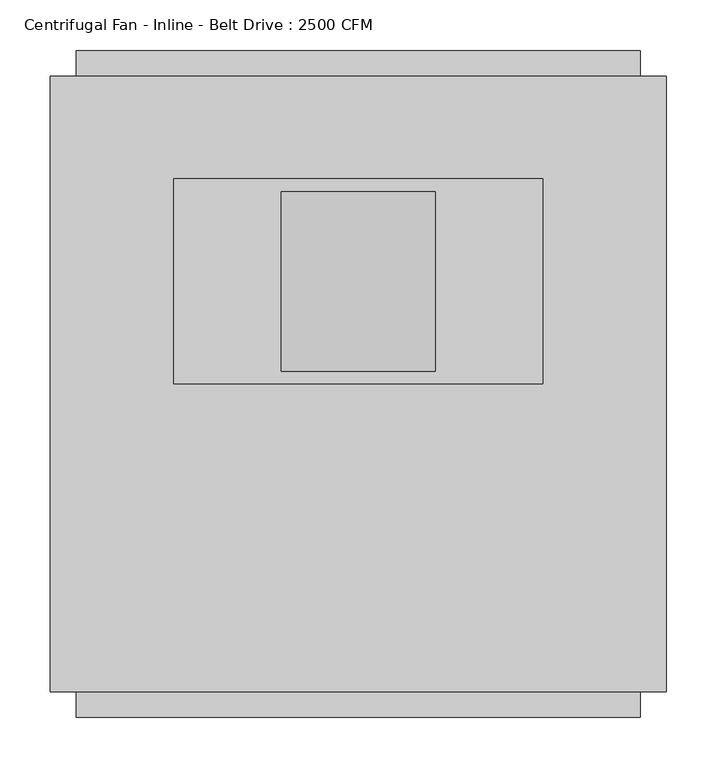
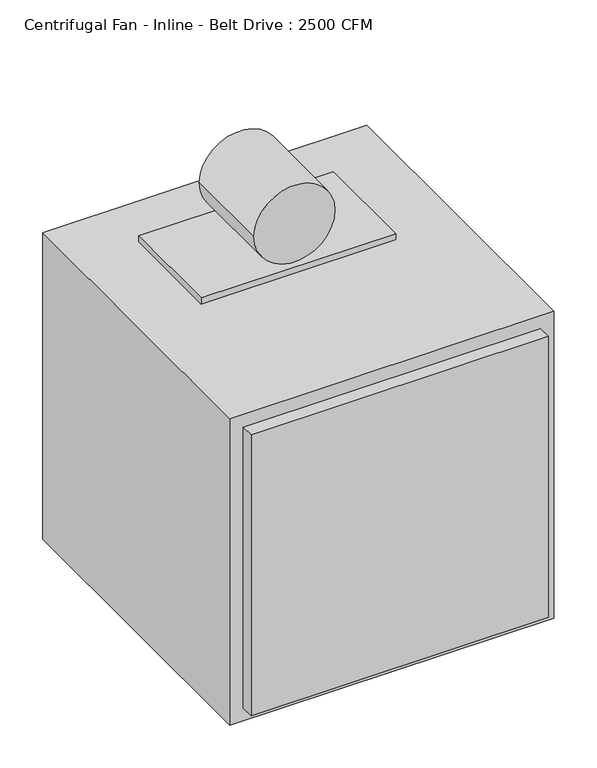
"""IFC4 building model written with IfcOpenShell, lengths in millimetres: proxy geometry, Centrifugal Fan - Inline - Belt Drive : 2500 CFM."""

from ifc_helpers import new_model, si_unit, point, frame, frame_2d, origin, origin_with_axes, place, context, project, spatial, polyline, circle_curve, trimmed, segment, composite_curve, outline, extrude, source, transform, mapped, element, save


def centrifugal_fan_inline_belt_drive_2500_cfm_bf334f05(model_context):
    return source(origin(), model_context, "Body", "SweptSolid", [
        extrude(outline(polyline([(279.4, -609.6), (279.4, -635.0), (-279.4, -635.0), (-279.4, -609.6), (279.4, -609.6)])), frame((0.0, 0.0, 25.4), z_axis=(0.0, 0.0, 1.0), x_axis=(1.0, 0.0, 0.0)), (0.0, 0.0, 1.0), 558.8),
        extrude(outline(polyline([(279.4, 25.4), (279.4, 0.0), (-279.4, 0.0), (-279.4, 25.4), (279.4, 25.4)])), frame((0.0, 0.0, 25.4), z_axis=(0.0, 0.0, 1.0), x_axis=(1.0, 0.0, 0.0)), (0.0, 0.0, 1.0), 558.8),
        extrude(outline(polyline([(304.8, 0.0), (304.8, -609.6), (-304.8, -609.6), (-304.8, 0.0), (304.8, 0.0)])), origin_with_axes(), (0.0, 0.0, 1.0), 609.6),
        extrude(outline(composite_curve([segment(trimmed(circle_curve(frame_2d((698.5, 0.0)), 76.2), [point((698.5, -76.2))], [point((698.5, 76.2))], False, "CARTESIAN"), True, "CONTINUOUS"), segment(trimmed(circle_curve(frame_2d((698.5, 0.0)), 76.2), [point((698.5, 76.2))], [point((698.5, -76.2))], False, "CARTESIAN"), True, "CONTINUOUS")], self_intersect=False)), frame((0.0, -292.1, 0.0), z_axis=(0.0, 1.0, 0.0), x_axis=(0.0, 0.0, 1.0)), (0.0, 0.0, 1.0), 177.8),
        extrude(outline(polyline([(182.88, -101.6), (182.88, -304.8), (-182.88, -304.8), (-182.88, -101.6), (182.88, -101.6)])), frame((0.0, 0.0, 609.6), z_axis=(0.0, 0.0, 1.0), x_axis=(1.0, 0.0, 0.0)), (0.0, 0.0, 1.0), 12.7),
    ])


if __name__ == "__main__":
    model = new_model("IFC4")
    model_context = context("Model", 3, world=origin())
    ifc_project = project(units=[si_unit("LENGTHUNIT", "METRE", prefix="MILLI")], contexts=[model_context])
    site = spatial("IfcSite", under=ifc_project)
    building = spatial("IfcBuilding", under=site)
    placement = place(None, origin())
    centrifugal_fan_inline_belt_drive_2500_cfm_shape = centrifugal_fan_inline_belt_drive_2500_cfm_bf334f05(model_context)
    element("IfcBuildingElementProxy", 1, Name="Centrifugal Fan - Inline - Belt Drive : 2500 CFM", ObjectType="Centrifugal Fan - Inline - Belt Drive : 2500 CFM", at=placement, inside=building, context=model_context, shape_type="MappedRepresentation", body=[
        mapped(centrifugal_fan_inline_belt_drive_2500_cfm_shape, transform((0.0, 0.0, 0.0), x_axis=(1.0, 0.0, 0.0), y_axis=(0.0, 1.0, 0.0), z_axis=(0.0, 0.0, 1.0))),
    ])
    save(model, "model.ifc")
